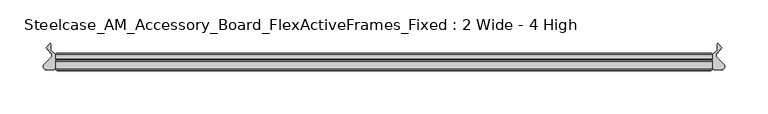
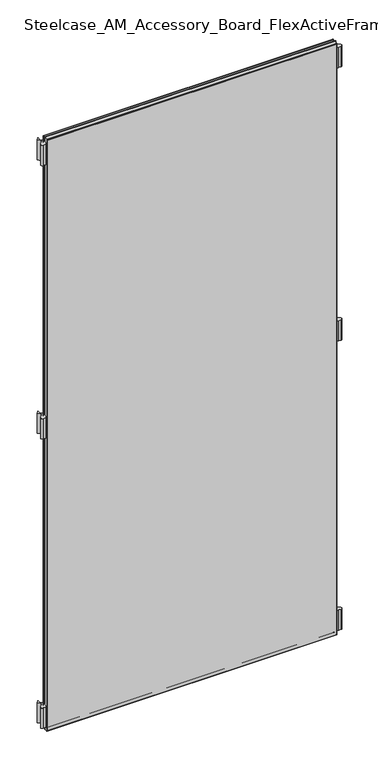
"""IFC4 building model written with IfcOpenShell, lengths in millimetres: furniture geometry, Steelcase_AM_Accessory_Board_FlexActiveFrames_Fixed : 2 Wide - 4 High."""

from ifc_helpers import new_model, si_unit, point, frame, frame_2d, origin, place, context, project, spatial, polyline, circle_curve, ellipse_curve, trimmed, segment, composite_curve, outline, extrude, source, transform, mapped, element, save
from ifc_brep_helpers import plane_surface, cylinder_surface, advanced_brep


def steelcase_am_accessory_board_flexactiveframes_fixed_2_wide_4_7006534a(model_context):
    return source(origin(), model_context, "Body", "SolidModel", [
        extrude(outline(composite_curve([segment(trimmed(circle_curve(frame_2d((766.2196763, -15.2513959)), 3.81), [point((768.9118703, -12.5554375))], [point((766.2196713, -19.0613959))], False, "CARTESIAN"), True, "CONTINUOUS"), segment(polyline([(766.2196713, -19.0613959), (759.713995, -19.0613873)]), True, "CONTINUOUS"), segment(trimmed(circle_curve(frame_2d((759.714, -15.2513873)), 3.81), [point((759.713995, -19.0613873))], [point((755.904, -15.2513873))], False, "CARTESIAN"), True, "CONTINUOUS"), segment(polyline([(755.904, -15.2513873), (755.904, -2.0686095), (761.4063592, 3.4250486), (761.4063592, 10.299411), (762.1123238, 11.2027231), (767.0660919, 6.2470172), (761.3290632, 0.3149559)]), True, "CONTINUOUS"), segment(trimmed(circle_curve(frame_2d((764.0677853, -2.3337233)), 3.81), [point((761.3290632, 0.3149559))], [point((761.3755914, -5.0296817))], True, "CARTESIAN"), True, "CONTINUOUS"), segment(polyline([(761.3755914, -5.0296817), (768.9118703, -12.5554375)]), True, "CONTINUOUS")], self_intersect=False)), frame((0.0, 0.0, 906.3736), z_axis=(0.0, 0.0, 1.0), x_axis=(1.0, 0.0, 0.0)), (0.0, 0.0, 1.0), 55.88),
        extrude(outline(composite_curve([segment(polyline([(-13.0078703, -12.5554375), (-5.4715914, -5.0296817)]), True, "CONTINUOUS"), segment(trimmed(circle_curve(frame_2d((-8.1637853, -2.3337233)), 3.81), [point((-5.4715914, -5.0296817))], [point((-5.4250632, 0.3149559))], True, "CARTESIAN"), True, "CONTINUOUS"), segment(polyline([(-5.4250632, 0.3149559), (-11.1620919, 6.2470172), (-6.2083238, 11.2027231), (-5.5023592, 10.299411), (-5.5023592, 3.4250486), (0.0, -2.0686095), (0.0, -15.2513873)]), True, "CONTINUOUS"), segment(trimmed(circle_curve(frame_2d((-3.81, -15.2513873)), 3.81), [point((0.0, -15.2513873))], [point((-3.809995, -19.0613873))], False, "CARTESIAN"), True, "CONTINUOUS"), segment(polyline([(-3.809995, -19.0613873), (-10.3156713, -19.0613959)]), True, "CONTINUOUS"), segment(trimmed(circle_curve(frame_2d((-10.3156763, -15.2513959)), 3.81), [point((-10.3156713, -19.0613959))], [point((-13.0078703, -12.5554375))], False, "CARTESIAN"), True, "CONTINUOUS")], self_intersect=False)), frame((0.0, 0.0, 906.3736), z_axis=(0.0, 0.0, 1.0), x_axis=(1.0, 0.0, 0.0)), (0.0, 0.0, 1.0), 55.88),
        extrude(outline(composite_curve([segment(trimmed(circle_curve(frame_2d((766.2196763, -15.2513959)), 3.81), [point((768.9118703, -12.5554375))], [point((766.2196713, -19.0613959))], False, "CARTESIAN"), True, "CONTINUOUS"), segment(polyline([(766.2196713, -19.0613959), (759.713995, -19.0613873)]), True, "CONTINUOUS"), segment(trimmed(circle_curve(frame_2d((759.714, -15.2513873)), 3.81), [point((759.713995, -19.0613873))], [point((755.904, -15.2513873))], False, "CARTESIAN"), True, "CONTINUOUS"), segment(polyline([(755.904, -15.2513873), (755.904, -2.0686095), (761.4063592, 3.4250486), (761.4063592, 10.299411), (762.1123238, 11.2027231), (767.0660919, 6.2470172), (761.3290632, 0.3149559)]), True, "CONTINUOUS"), segment(trimmed(circle_curve(frame_2d((764.0677853, -2.3337233)), 3.81), [point((761.3290632, 0.3149559))], [point((761.3755914, -5.0296817))], True, "CARTESIAN"), True, "CONTINUOUS"), segment(polyline([(761.3755914, -5.0296817), (768.9118703, -12.5554375)]), True, "CONTINUOUS")], self_intersect=False)), frame((0.0, 0.0, 110.0836), z_axis=(0.0, 0.0, 1.0), x_axis=(1.0, 0.0, 0.0)), (0.0, 0.0, 1.0), 55.88),
        extrude(outline(composite_curve([segment(trimmed(circle_curve(frame_2d((766.2196763, -15.2513959)), 3.81), [point((768.9118703, -12.5554375))], [point((766.2196713, -19.0613959))], False, "CARTESIAN"), True, "CONTINUOUS"), segment(polyline([(766.2196713, -19.0613959), (759.713995, -19.0613873)]), True, "CONTINUOUS"), segment(trimmed(circle_curve(frame_2d((759.714, -15.2513873)), 3.81), [point((759.713995, -19.0613873))], [point((755.904, -15.2513873))], False, "CARTESIAN"), True, "CONTINUOUS"), segment(polyline([(755.904, -15.2513873), (755.904, -2.0686095), (761.4063592, 3.4250486), (761.4063592, 10.299411), (762.1123238, 11.2027231), (767.0660919, 6.2470172), (761.3290632, 0.3149559)]), True, "CONTINUOUS"), segment(trimmed(circle_curve(frame_2d((764.0677853, -2.3337233)), 3.81), [point((761.3290632, 0.3149559))], [point((761.3755914, -5.0296817))], True, "CARTESIAN"), True, "CONTINUOUS"), segment(polyline([(761.3755914, -5.0296817), (768.9118703, -12.5554375)]), True, "CONTINUOUS")], self_intersect=False)), frame((0.0, 0.0, 1658.4316006), z_axis=(0.0, 0.0, 1.0), x_axis=(1.0, 0.0, 0.0)), (0.0, 0.0, 1.0), 55.9983261),
        extrude(outline(composite_curve([segment(polyline([(-13.0078703, -12.5554375), (-5.4715914, -5.0296817)]), True, "CONTINUOUS"), segment(trimmed(circle_curve(frame_2d((-8.1637853, -2.3337233)), 3.81), [point((-5.4715914, -5.0296817))], [point((-5.4250632, 0.3149559))], True, "CARTESIAN"), True, "CONTINUOUS"), segment(polyline([(-5.4250632, 0.3149559), (-11.1620919, 6.2470172), (-6.2083238, 11.2027231), (-5.5023592, 10.299411), (-5.5023592, 3.4250486), (0.0, -2.0686095), (0.0, -15.2513873)]), True, "CONTINUOUS"), segment(trimmed(circle_curve(frame_2d((-3.81, -15.2513873)), 3.81), [point((0.0, -15.2513873))], [point((-3.809995, -19.0613873))], False, "CARTESIAN"), True, "CONTINUOUS"), segment(polyline([(-3.809995, -19.0613873), (-10.3156713, -19.0613959)]), True, "CONTINUOUS"), segment(trimmed(circle_curve(frame_2d((-10.3156763, -15.2513959)), 3.81), [point((-10.3156713, -19.0613959))], [point((-13.0078703, -12.5554375))], False, "CARTESIAN"), True, "CONTINUOUS")], self_intersect=False)), frame((0.0, 0.0, 110.0836), z_axis=(0.0, 0.0, 1.0), x_axis=(1.0, 0.0, 0.0)), (0.0, 0.0, 1.0), 55.88),
        extrude(outline(composite_curve([segment(polyline([(-13.0078703, -12.5554375), (-5.4715914, -5.0296817)]), True, "CONTINUOUS"), segment(trimmed(circle_curve(frame_2d((-8.1637853, -2.3337233)), 3.81), [point((-5.4715914, -5.0296817))], [point((-5.4250632, 0.3149559))], True, "CARTESIAN"), True, "CONTINUOUS"), segment(polyline([(-5.4250632, 0.3149559), (-11.1620919, 6.2470172), (-6.2083238, 11.2027231), (-5.5023592, 10.299411), (-5.5023592, 3.4250486), (0.0, -2.0686095), (0.0, -15.2513873)]), True, "CONTINUOUS"), segment(trimmed(circle_curve(frame_2d((-3.81, -15.2513873)), 3.81), [point((0.0, -15.2513873))], [point((-3.809995, -19.0613873))], False, "CARTESIAN"), True, "CONTINUOUS"), segment(polyline([(-3.809995, -19.0613873), (-10.3156713, -19.0613959)]), True, "CONTINUOUS"), segment(trimmed(circle_curve(frame_2d((-10.3156763, -15.2513959)), 3.81), [point((-10.3156713, -19.0613959))], [point((-13.0078703, -12.5554375))], False, "CARTESIAN"), True, "CONTINUOUS")], self_intersect=False)), frame((0.0, 0.0, 1658.4316006), z_axis=(0.0, 0.0, 1.0), x_axis=(1.0, 0.0, 0.0)), (0.0, 0.0, 1.0), 55.9983261),
        extrude(outline(polyline([(754.4039947, -19.7016999), (1.5000053, -19.7016999), (1.5000053, -8.0000171), (754.4039947, -8.0000171), (754.4039947, -19.7016999)])), frame((0.0, 0.0, 100.1536053), z_axis=(0.0, 0.0, 1.0), x_axis=(1.0, 0.0, 0.0)), (0.0, 0.0, 1.0), 1624.2763893),
        advanced_brep(
        [(0.0, -9.5000224, 1725.93), (1.5000053, -8.0000171, 1724.4299947), (1.5000053, -8.0000171, 100.1536053), (0.0, -9.5000224, 98.6536), (0.0, -18.2016946, 1725.93), (0.0, -18.2016946, 98.6536), (1.5000053, -19.7016999, 1724.4299947), (1.5000053, -19.7016999, 100.1536053), (754.4039947, -8.0000171, 100.1536053), (755.904, -9.5000224, 98.6536), (755.904, -18.2016946, 98.6536), (754.4039947, -19.7016999, 100.1536053), (754.4039947, -8.0000171, 1724.4299947), (755.904, -9.5000224, 1725.93), (755.904, -18.2016946, 1725.93), (754.4039947, -19.7016999, 1724.4299947)],
        [
            (0, 1, ellipse_curve(frame((1.5000053, -9.5000224, 1724.4299947), z_axis=(-0.7071067811865475, 0.0, -0.7071067811865475), x_axis=(-0.7071067811865474, 0.0, 0.7071067811865476)), 2.1213279, 1.5000053)),
            (1, 2),
            (2, 3, ellipse_curve(frame((1.5000053, -9.5000224, 100.1536053), z_axis=(-0.7071067811865475, 0.0, 0.7071067811865475), x_axis=(0.7071067811865474, 0.0, 0.7071067811865476)), 2.1213279, 1.5000053)),
            (3, 0),
            (4, 0),
            (3, 5),
            (5, 4),
            (1, 6),
            (6, 7),
            (7, 2),
            (2, 8),
            (8, 9, ellipse_curve(frame((754.4039947, -9.5000224, 100.1536053), z_axis=(-0.7071067811865475, 0.0, -0.7071067811865475), x_axis=(-0.7071067811865476, 0.0, 0.7071067811865474)), 2.1213279, 1.5000053)),
            (9, 3),
            (9, 10),
            (10, 5),
            (7, 11),
            (11, 8),
            (8, 12),
            (12, 13, ellipse_curve(frame((754.4039947, -9.5000224, 1724.4299947), z_axis=(0.7071067811865475, 0.0, -0.7071067811865475), x_axis=(-0.7071067811865474, 0.0, -0.7071067811865476)), 2.1213279, 1.5000053)),
            (13, 9),
            (13, 14),
            (14, 10),
            (11, 15),
            (15, 12),
            (12, 1),
            (0, 13),
            (4, 14),
            (15, 6),
            (6, 4, ellipse_curve(frame((1.5000053, -18.2016946, 1724.4299947), z_axis=(-0.7071067811865475, 0.0, -0.7071067811865475), x_axis=(-0.7071067811865474, 0.0, 0.7071067811865476)), 2.1213279, 1.5000053)),
            (5, 7, ellipse_curve(frame((1.5000053, -18.2016946, 100.1536053), z_axis=(-0.7071067811865475, 0.0, 0.7071067811865475), x_axis=(0.7071067811865474, 0.0, 0.7071067811865476)), 2.1213279, 1.5000053)),
            (10, 11, ellipse_curve(frame((754.4039947, -18.2016946, 100.1536053), z_axis=(-0.7071067811865475, 0.0, -0.7071067811865475), x_axis=(-0.7071067811865476, 0.0, 0.7071067811865474)), 2.1213279, 1.5000053)),
            (14, 15, ellipse_curve(frame((754.4039947, -18.2016946, 1724.4299947), z_axis=(0.7071067811865475, 0.0, -0.7071067811865475), x_axis=(-0.7071067811865474, 0.0, -0.7071067811865476)), 2.1213279, 1.5000053)),
        ],
        [
            cylinder_surface(frame((1.5000053, -9.5000224, 1725.93), z_axis=(0.0, 0.0, 1.0), x_axis=(1.0, 0.0, 0.0)), 1.5000053),
            plane_surface(frame((0.0, -9.5000224, 1725.93), z_axis=(-1.0, 0.0, 0.0), x_axis=(0.0, 0.0, -1.0))),
            plane_surface(frame((1.5000053, -19.7016999, 1724.4299947), z_axis=(1.0, 0.0, 0.0), x_axis=(0.0, 0.0, -1.0))),
            cylinder_surface(frame((0.0, -9.5000224, 100.1536053), z_axis=(-1.0, 0.0, 0.0), x_axis=(0.0, 0.0, 1.0)), 1.5000053),
            plane_surface(frame((0.0, -9.5000224, 98.6536), z_axis=(0.0, 0.0, -1.0), x_axis=(1.0, 0.0, 0.0))),
            plane_surface(frame((1.5000053, -19.7016999, 100.1536053), z_axis=(0.0, 0.0, 1.0), x_axis=(1.0, 0.0, 0.0))),
            cylinder_surface(frame((754.4039947, -9.5000224, 98.6536), z_axis=(0.0, 0.0, -1.0), x_axis=(-1.0, 0.0, 0.0)), 1.5000053),
            plane_surface(frame((755.904, -9.5000224, 98.6536), z_axis=(1.0, 0.0, 0.0), x_axis=(0.0, 0.0, 1.0))),
            plane_surface(frame((754.4039947, -19.7016999, 100.1536053), z_axis=(-1.0, 0.0, 0.0), x_axis=(0.0, 0.0, 1.0))),
            cylinder_surface(frame((755.904, -9.5000224, 1724.4299947), z_axis=(1.0, 0.0, 0.0), x_axis=(0.0, 0.0, -1.0)), 1.5000053),
            plane_surface(frame((755.904, -9.5000224, 1725.93), z_axis=(0.0, 0.0, 1.0), x_axis=(-1.0, 0.0, 0.0))),
            plane_surface(frame((754.4039947, -19.7016999, 1724.4299947), z_axis=(0.0, 0.0, -1.0), x_axis=(-1.0, 0.0, 0.0))),
            cylinder_surface(frame((1.5000053, -18.2016946, 1725.93), z_axis=(0.0, 0.0, 1.0), x_axis=(1.0, 0.0, 0.0)), 1.5000053),
            cylinder_surface(frame((0.0, -18.2016946, 100.1536053), z_axis=(-1.0, 0.0, 0.0), x_axis=(0.0, 0.0, 1.0)), 1.5000053),
            cylinder_surface(frame((754.4039947, -18.2016946, 98.6536), z_axis=(0.0, 0.0, -1.0), x_axis=(-1.0, 0.0, 0.0)), 1.5000053),
            cylinder_surface(frame((755.904, -18.2016946, 1724.4299947), z_axis=(1.0, 0.0, 0.0), x_axis=(0.0, 0.0, -1.0)), 1.5000053),
        ],
        [
            (0, [[1, 2, 3, 4]]),
            (1, [[5, -4, 6, 7]]),
            (2, [[8, 9, 10, -2]]),
            (3, [[-3, 11, 12, 13]]),
            (4, [[-6, -13, 14, 15]]),
            (5, [[-10, 16, 17, -11]]),
            (6, [[-12, 18, 19, 20]]),
            (7, [[-14, -20, 21, 22]]),
            (8, [[-17, 23, 24, -18]]),
            (9, [[-19, 25, -1, 26]]),
            (10, [[-21, -26, -5, 27]]),
            (11, [[-24, 28, -8, -25]]),
            (12, [[29, -7, 30, -9]]),
            (13, [[-30, -15, 31, -16]]),
            (14, [[-31, -22, 32, -23]]),
            (15, [[-32, -27, -29, -28]]),
        ],
    ),
        extrude(outline(polyline([(754.4039947, -8.0000171), (1.5000053, -8.0000171), (1.5000053, 0.0), (754.4039947, 0.0), (754.4039947, -8.0000171)])), frame((0.0, 0.0, 100.1536053), z_axis=(0.0, 0.0, 1.0), x_axis=(1.0, 0.0, 0.0)), (0.0, 0.0, 1.0), 1624.2763893),
        advanced_brep(
        [(0.0, -1.5000053, 1725.93), (1.5000053, 0.0, 1724.4299947), (1.5000053, 0.0, 100.1536053), (0.0, -1.5000053, 98.6536), (0.0, -6.5000117, 1725.93), (0.0, -6.5000117, 98.6536), (1.5000053, -8.0000171, 1724.4299947), (1.5000053, -8.0000171, 100.1536053), (754.4039947, 0.0, 100.1536053), (755.904, -1.5000053, 98.6536), (755.904, -6.5000117, 98.6536), (754.4039947, -8.0000171, 100.1536053), (754.4039947, 0.0, 1724.4299947), (755.904, -1.5000053, 1725.93), (755.904, -6.5000117, 1725.93), (754.4039947, -8.0000171, 1724.4299947)],
        [
            (0, 1, ellipse_curve(frame((1.5000053, -1.5000053, 1724.4299947), z_axis=(-0.7071067811865475, 0.0, -0.7071067811865475), x_axis=(-0.7071067811865474, 0.0, 0.7071067811865476)), 2.1213279, 1.5000053)),
            (1, 2),
            (2, 3, ellipse_curve(frame((1.5000053, -1.5000053, 100.1536053), z_axis=(-0.7071067811865475, 0.0, 0.7071067811865475), x_axis=(0.7071067811865474, 0.0, 0.7071067811865476)), 2.1213279, 1.5000053)),
            (3, 0),
            (4, 0),
            (3, 5),
            (5, 4),
            (6, 4, ellipse_curve(frame((1.5000053, -6.5000117, 1724.4299947), z_axis=(-0.7071067811865475, 0.0, -0.7071067811865475), x_axis=(-0.7071067811865474, 0.0, 0.7071067811865476)), 2.1213279, 1.5000053)),
            (5, 7, ellipse_curve(frame((1.5000053, -6.5000117, 100.1536053), z_axis=(-0.7071067811865475, 0.0, 0.7071067811865475), x_axis=(0.7071067811865474, 0.0, 0.7071067811865476)), 2.1213279, 1.5000053)),
            (7, 6),
            (1, 6),
            (7, 2),
            (2, 8),
            (8, 9, ellipse_curve(frame((754.4039947, -1.5000053, 100.1536053), z_axis=(-0.7071067811865475, 0.0, -0.7071067811865475), x_axis=(-0.7071067811865476, 0.0, 0.7071067811865474)), 2.1213279, 1.5000053)),
            (9, 3),
            (9, 10),
            (10, 5),
            (10, 11, ellipse_curve(frame((754.4039947, -6.5000117, 100.1536053), z_axis=(-0.7071067811865475, 0.0, -0.7071067811865475), x_axis=(-0.7071067811865476, 0.0, 0.7071067811865474)), 2.1213279, 1.5000053)),
            (11, 7),
            (11, 8),
            (8, 12),
            (12, 13, ellipse_curve(frame((754.4039947, -1.5000053, 1724.4299947), z_axis=(0.7071067811865475, 0.0, -0.7071067811865475), x_axis=(-0.7071067811865474, 0.0, -0.7071067811865476)), 2.1213279, 1.5000053)),
            (13, 9),
            (13, 14),
            (14, 10),
            (14, 15, ellipse_curve(frame((754.4039947, -6.5000117, 1724.4299947), z_axis=(0.7071067811865475, 0.0, -0.7071067811865475), x_axis=(-0.7071067811865474, 0.0, -0.7071067811865476)), 2.1213279, 1.5000053)),
            (15, 11),
            (15, 12),
            (12, 1),
            (0, 13),
            (4, 14),
            (6, 15),
        ],
        [
            cylinder_surface(frame((1.5000053, -1.5000053, 1725.93), z_axis=(0.0, 0.0, 1.0), x_axis=(1.0, 0.0, 0.0)), 1.5000053),
            plane_surface(frame((0.0, -1.5000053, 1725.93), z_axis=(-1.0, 0.0, 0.0), x_axis=(0.0, 0.0, -1.0))),
            cylinder_surface(frame((1.5000053, -6.5000117, 1725.93), z_axis=(0.0, 0.0, 1.0), x_axis=(1.0, 0.0, 0.0)), 1.5000053),
            plane_surface(frame((1.5000053, -8.0000171, 1724.4299947), z_axis=(1.0, 0.0, 0.0), x_axis=(0.0, 0.0, -1.0))),
            cylinder_surface(frame((0.0, -1.5000053, 100.1536053), z_axis=(-1.0, 0.0, 0.0), x_axis=(0.0, 0.0, 1.0)), 1.5000053),
            plane_surface(frame((0.0, -1.5000053, 98.6536), z_axis=(0.0, 0.0, -1.0), x_axis=(1.0, 0.0, 0.0))),
            cylinder_surface(frame((0.0, -6.5000117, 100.1536053), z_axis=(-1.0, 0.0, 0.0), x_axis=(0.0, 0.0, 1.0)), 1.5000053),
            plane_surface(frame((1.5000053, -8.0000171, 100.1536053), z_axis=(0.0, 0.0, 1.0), x_axis=(1.0, 0.0, 0.0))),
            cylinder_surface(frame((754.4039947, -1.5000053, 98.6536), z_axis=(0.0, 0.0, -1.0), x_axis=(-1.0, 0.0, 0.0)), 1.5000053),
            plane_surface(frame((755.904, -1.5000053, 98.6536), z_axis=(1.0, 0.0, 0.0), x_axis=(0.0, 0.0, 1.0))),
            cylinder_surface(frame((754.4039947, -6.5000117, 98.6536), z_axis=(0.0, 0.0, -1.0), x_axis=(-1.0, 0.0, 0.0)), 1.5000053),
            plane_surface(frame((754.4039947, -8.0000171, 100.1536053), z_axis=(-1.0, 0.0, 0.0), x_axis=(0.0, 0.0, 1.0))),
            cylinder_surface(frame((755.904, -1.5000053, 1724.4299947), z_axis=(1.0, 0.0, 0.0), x_axis=(0.0, 0.0, -1.0)), 1.5000053),
            plane_surface(frame((755.904, -1.5000053, 1725.93), z_axis=(0.0, 0.0, 1.0), x_axis=(-1.0, 0.0, 0.0))),
            cylinder_surface(frame((755.904, -6.5000117, 1724.4299947), z_axis=(1.0, 0.0, 0.0), x_axis=(0.0, 0.0, -1.0)), 1.5000053),
            plane_surface(frame((754.4039947, -8.0000171, 1724.4299947), z_axis=(0.0, 0.0, -1.0), x_axis=(-1.0, 0.0, 0.0))),
        ],
        [
            (0, [[1, 2, 3, 4]]),
            (1, [[5, -4, 6, 7]]),
            (2, [[8, -7, 9, 10]]),
            (3, [[11, -10, 12, -2]]),
            (4, [[-3, 13, 14, 15]]),
            (5, [[-6, -15, 16, 17]]),
            (6, [[-9, -17, 18, 19]]),
            (7, [[-12, -19, 20, -13]]),
            (8, [[-14, 21, 22, 23]]),
            (9, [[-16, -23, 24, 25]]),
            (10, [[-18, -25, 26, 27]]),
            (11, [[-20, -27, 28, -21]]),
            (12, [[-22, 29, -1, 30]]),
            (13, [[-24, -30, -5, 31]]),
            (14, [[-26, -31, -8, 32]]),
            (15, [[-28, -32, -11, -29]]),
        ],
    ),
    ])


if __name__ == "__main__":
    model = new_model("IFC4")
    model_context = context("Model", 3, world=origin())
    ifc_project = project(units=[si_unit("LENGTHUNIT", "METRE", prefix="MILLI")], contexts=[model_context])
    site = spatial("IfcSite", under=ifc_project)
    building = spatial("IfcBuilding", under=site)
    placement = place(None, origin())
    steelcase_am_accessory_board_flexactiveframes_fixed_2_wide_4_shape = steelcase_am_accessory_board_flexactiveframes_fixed_2_wide_4_7006534a(model_context)
    element("IfcFurniture", 1, ObjectType="Steelcase_AM_Accessory_Board_FlexActiveFrames_Fixed : 2 Wide - 4 High", at=placement, inside=building, context=model_context, shape_type="MappedRepresentation", body=[
        mapped(steelcase_am_accessory_board_flexactiveframes_fixed_2_wide_4_shape, transform((0.0, 0.0, 0.0), x_axis=(1.0, 0.0, 0.0), y_axis=(0.0, 1.0, 0.0), z_axis=(0.0, 0.0, 1.0))),
    ])
    save(model, "model.ifc")
